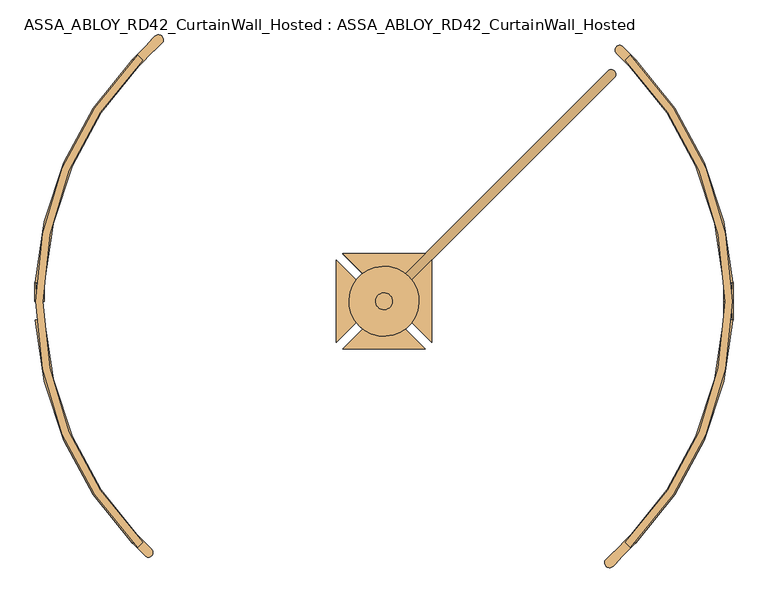
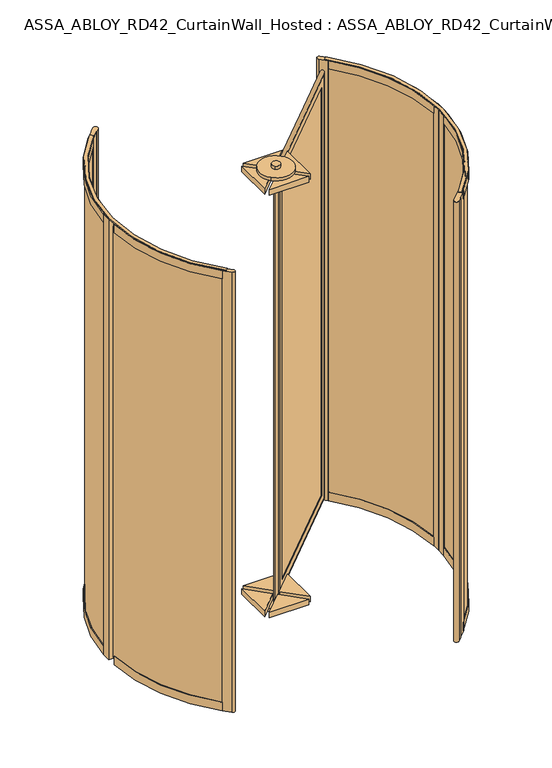
"""IFC4 building model written with IfcOpenShell, lengths in millimetres: door geometry, ASSA_ABLOY_RD42_CurtainWall_Hosted : ASSA_ABLOY_RD42_CurtainWall_Hosted."""

from ifc_helpers import new_model, si_unit, point, frame, frame_2d, origin, origin_with_axes, origin_2d, place, context, project, spatial, polyline, circle_curve, ellipse_curve, trimmed, segment, composite_curve, outline, extrude, source, transform, mapped, element, save
from ifc_brep_helpers import plane_surface, cylinder_surface, revolved_surface, advanced_brep


def assa_abloy_rd42_curtainwall_hosted_assa_abloy_rd42_190cbc8c(model_context):
    return source(origin(), model_context, "Body", "SolidModel", [
        advanced_brep(
        [(619.4255403, 605.2834047, 105.0), (621.5468607, 603.1620844, 105.0), (621.5468607, 603.1620844, 2673.0), (619.4255403, 605.2834047, 2673.0), (619.4255403, 633.5676759, 85.0), (633.5676759, 619.4255403, 85.0), (633.5676759, 619.4255403, 2693.0), (619.4255403, 633.5676759, 2693.0), (603.1620844, 621.5468607, 105.0), (605.2834047, 619.4255403, 105.0), (605.2834047, 619.4255403, 2673.0), (603.1620844, 621.5468607, 2673.0), (658.3164133, 639.931637, 53.0), (639.931637, 658.3164133, 53.0), (639.931637, 658.3164133, 2725.0), (658.3164133, 639.931637, 2725.0), (66.4680374, 48.0832611, 2673.0), (64.3467171, 50.2045815, 2673.0), (50.2045815, 36.0624458, 2693.0), (36.0624458, 50.2045815, 2693.0), (50.2045815, 64.3467171, 2673.0), (48.0832611, 66.4680374, 2673.0), (11.3137085, 29.6984848, 2725.0), (29.6984848, 11.3137085, 2725.0), (66.4680374, 48.0832611, 105.0), (64.3467171, 50.2045815, 105.0), (50.2045815, 36.0624458, 85.0), (36.0624458, 50.2045815, 85.0), (50.2045815, 64.3467171, 105.0), (48.0832611, 66.4680374, 105.0), (11.3137085, 29.6984848, 53.0), (29.6984848, 11.3137085, 53.0)],
        [
            (0, 1),
            (1, 2),
            (2, 3),
            (3, 0),
            (4, 5),
            (5, 6),
            (6, 7),
            (7, 4),
            (8, 9),
            (9, 10),
            (10, 11),
            (11, 8),
            (12, 13, ellipse_curve(frame((649.1240251, 649.1240251, 53.0), z_axis=(0.5000000000000073, 0.4999999999999926, 0.7071067811865475), x_axis=(0.4999999999999934, 0.5000000000000063, -0.7071067811865476)), 18.3847763, 13.0)),
            (13, 14),
            (14, 15, ellipse_curve(frame((649.1240251, 649.1240251, 2725.0), z_axis=(0.49999999999999345, 0.5000000000000064, -0.7071067811865475), x_axis=(-0.5000000000000072, -0.4999999999999925, -0.7071067811865476)), 18.3847763, 13.0)),
            (15, 12),
            (2, 16),
            (16, 17),
            (17, 3),
            (6, 18),
            (18, 19),
            (19, 7),
            (10, 20),
            (20, 21),
            (21, 11),
            (14, 22),
            (22, 23, ellipse_curve(frame((20.5060967, 20.5060967, 2725.0), z_axis=(0.5000000000000073, 0.4999999999999926, 0.7071067811865475), x_axis=(0.4999999999999936, 0.5000000000000066, -0.7071067811865475)), 18.3847763, 13.0)),
            (23, 15),
            (16, 24),
            (24, 25),
            (25, 17),
            (18, 26),
            (26, 27),
            (27, 19),
            (20, 28),
            (28, 29),
            (29, 21),
            (22, 30),
            (30, 31, ellipse_curve(frame((20.5060967, 20.5060967, 53.0), z_axis=(-0.49999999999999345, -0.5000000000000064, 0.7071067811865475), x_axis=(0.5000000000000072, 0.4999999999999925, 0.7071067811865476)), 18.3847763, 13.0)),
            (31, 23),
            (24, 1),
            (0, 25),
            (5, 26),
            (4, 27),
            (9, 28),
            (8, 29),
            (13, 30),
            (12, 31),
        ],
        [
            plane_surface(frame((621.5468607, 603.1620844, 105.0), z_axis=(-0.7071067811865499, -0.7071067811865451, 0.0), x_axis=(0.0, 0.0, 1.0))),
            plane_surface(frame((633.5676759, 619.4255403, 85.0), z_axis=(-0.7071067811865483, -0.7071067811865467, 0.0), x_axis=(0.0, 0.0, 1.0))),
            plane_surface(frame((605.2834047, 619.4255403, 105.0), z_axis=(-0.7071067811865499, -0.7071067811865451, 0.0), x_axis=(0.0, 0.0, 1.0))),
            cylinder_surface(frame((649.1240251, 649.1240251, 40.0), z_axis=(0.0, 0.0, -1.0), x_axis=(-0.7071067811865481, -0.7071067811865469, 0.0)), 13.0),
            plane_surface(frame((621.5468607, 603.1620844, 2673.0), z_axis=(0.0, 0.0, -1.0), x_axis=(-0.7071067811865481, -0.7071067811865469, 0.0))),
            plane_surface(frame((633.5676759, 619.4255403, 2693.0), z_axis=(0.0, 0.0, -1.0), x_axis=(-0.7071067811865481, -0.7071067811865469, 0.0))),
            plane_surface(frame((605.2834047, 619.4255403, 2673.0), z_axis=(0.0, 0.0, -1.0), x_axis=(-0.7071067811865481, -0.7071067811865469, 0.0))),
            cylinder_surface(frame((658.3164133, 658.3164133, 2725.0), z_axis=(0.7071067811865481, 0.7071067811865469, 0.0), x_axis=(0.0, 0.0, -1.0)), 13.0),
            plane_surface(frame((66.4680374, 48.0832611, 2673.0), z_axis=(0.7071067811865464, 0.7071067811865487, 0.0), x_axis=(0.0, 0.0, -1.0))),
            plane_surface(frame((50.2045815, 36.0624458, 2693.0), z_axis=(0.7071067811865479, 0.7071067811865471, 0.0), x_axis=(0.0, 0.0, -1.0))),
            plane_surface(frame((50.2045815, 64.3467171, 2673.0), z_axis=(0.7071067811865464, 0.7071067811865487, 0.0), x_axis=(0.0, 0.0, -1.0))),
            cylinder_surface(frame((20.5060967, 20.5060967, 2738.0), z_axis=(0.0, 0.0, 1.0), x_axis=(0.7071067811865481, 0.7071067811865469, 0.0)), 13.0),
            plane_surface(frame((66.4680374, 48.0832611, 105.0), z_axis=(0.0, 0.0, 1.0), x_axis=(0.7071067811865481, 0.7071067811865469, 0.0))),
            plane_surface(frame((64.3467171, 50.2045815, 105.0), z_axis=(-0.7071067811865469, 0.7071067811865481, 0.0), x_axis=(0.7071067811865481, 0.7071067811865469, 0.0))),
            plane_surface(frame((50.2045815, 36.0624458, 85.0), z_axis=(0.0, 0.0, 1.0), x_axis=(0.7071067811865481, 0.7071067811865469, 0.0))),
            plane_surface(frame((36.0624458, 50.2045815, 85.0), z_axis=(0.7071067811865469, -0.7071067811865481, 0.0), x_axis=(0.7071067811865481, 0.7071067811865469, 0.0))),
            plane_surface(frame((50.2045815, 64.3467171, 105.0), z_axis=(0.0, 0.0, 1.0), x_axis=(0.7071067811865481, 0.7071067811865469, 0.0))),
            plane_surface(frame((48.0832611, 66.4680374, 105.0), z_axis=(-0.7071067811865469, 0.7071067811865481, 0.0), x_axis=(0.7071067811865481, 0.7071067811865469, 0.0))),
            cylinder_surface(frame((11.3137085, 11.3137085, 53.0), z_axis=(-0.7071067811865481, -0.7071067811865469, 0.0), x_axis=(0.0, 0.0, 1.0)), 13.0),
            plane_surface(frame((29.6984848, 11.3137085, 53.0), z_axis=(0.7071067811865469, -0.7071067811865481, 0.0), x_axis=(0.7071067811865481, 0.7071067811865469, 0.0))),
        ],
        [
            (0, [[1, 2, 3, 4]]),
            (1, [[5, 6, 7, 8]]),
            (2, [[9, 10, 11, 12]]),
            (3, [[13, 14, 15, 16]]),
            (4, [[-3, 17, 18, 19]]),
            (5, [[-7, 20, 21, 22]]),
            (6, [[-11, 23, 24, 25]]),
            (7, [[-15, 26, 27, 28]]),
            (8, [[-18, 29, 30, 31]]),
            (9, [[-21, 32, 33, 34]]),
            (10, [[-24, 35, 36, 37]]),
            (11, [[-27, 38, 39, 40]]),
            (12, [[-30, 41, -1, 42]]),
            (13, [[43, -32, -20, -6], [-19, -31, -42, -4]]),
            (14, [[-33, -43, -5, 44]]),
            (15, [[-22, -34, -44, -8], [45, -35, -23, -10]]),
            (16, [[-36, -45, -9, 46]]),
            (17, [[47, -38, -26, -14], [-25, -37, -46, -12]]),
            (18, [[-39, -47, -13, 48]]),
            (19, [[-28, -40, -48, -16], [-41, -29, -17, -2]]),
        ],
    ),
        extrude(outline(polyline([(622.9610742, 630.032142), (630.032142, 622.9610742), (46.6690476, 39.5979797), (39.5979797, 46.6690476), (622.9610742, 630.032142)])), frame((0.0, 0.0, 85.0), z_axis=(0.0, 0.0, 1.0), x_axis=(1.0, 0.0, 0.0)), (0.0, 0.0, 1.0), 2608.0),
        extrude(outline(composite_curve([segment(trimmed(circle_curve(origin_2d(), 24.0), [point((-16.9705627, -16.9705627))], [point((16.9705627, 16.9705627))], False, "CARTESIAN"), True, "CONTINUOUS"), segment(trimmed(circle_curve(origin_2d(), 24.0), [point((16.9705627, 16.9705627))], [point((-16.9705627, -16.9705627))], False, "CARTESIAN"), True, "CONTINUOUS")], self_intersect=False)), origin_with_axes(), (0.0, 0.0, 1.0), 20.0),
        extrude(outline(composite_curve([segment(trimmed(circle_curve(origin_2d(), 100.0), [point((-70.7106781, -70.7106781))], [point((70.7106781, 70.7106781))], False, "CARTESIAN"), True, "CONTINUOUS"), segment(trimmed(circle_curve(origin_2d(), 100.0), [point((70.7106781, 70.7106781))], [point((-70.7106781, -70.7106781))], False, "CARTESIAN"), True, "CONTINUOUS")], self_intersect=False)), frame((0.0, 0.0, 20.0), z_axis=(0.0, 0.0, 1.0), x_axis=(1.0, 0.0, 0.0)), (0.0, 0.0, 1.0), 20.0),
        extrude(outline(composite_curve([segment(trimmed(circle_curve(origin_2d(), 24.0), [point((16.9705627, 16.9705627))], [point((-16.9705627, -16.9705627))], False, "CARTESIAN"), True, "CONTINUOUS"), segment(trimmed(circle_curve(origin_2d(), 24.0), [point((-16.9705627, -16.9705627))], [point((16.9705627, 16.9705627))], False, "CARTESIAN"), True, "CONTINUOUS")], self_intersect=False)), frame((0.0, 0.0, 2758.0), z_axis=(0.0, 0.0, 1.0), x_axis=(1.0, 0.0, 0.0)), (0.0, 0.0, 1.0), 20.0),
        extrude(outline(composite_curve([segment(trimmed(circle_curve(origin_2d(), 100.0), [point((70.7106781, 70.7106781))], [point((-70.7106781, -70.7106781))], False, "CARTESIAN"), True, "CONTINUOUS"), segment(trimmed(circle_curve(origin_2d(), 100.0), [point((-70.7106781, -70.7106781))], [point((70.7106781, 70.7106781))], False, "CARTESIAN"), True, "CONTINUOUS")], self_intersect=False)), frame((0.0, 0.0, 2738.0), z_axis=(0.0, 0.0, 1.0), x_axis=(1.0, 0.0, 0.0)), (0.0, 0.0, 1.0), 20.0),
        extrude(outline(composite_curve([segment(trimmed(circle_curve(origin_2d(), 12.5), [point((-8.8388348, -8.8388348))], [point((8.8388348, 8.8388348))], False, "CARTESIAN"), True, "CONTINUOUS"), segment(trimmed(circle_curve(origin_2d(), 12.5), [point((8.8388348, 8.8388348))], [point((-8.8388348, -8.8388348))], False, "CARTESIAN"), True, "CONTINUOUS")], self_intersect=False)), origin_with_axes(), (0.0, 0.0, 1.0), 2723.0),
        extrude(outline(polyline([(-136.0, 117.6152237), (-18.3847763, 0.0), (-136.0, -117.6152237), (-136.0, 117.6152237)])), frame((0.0, 0.0, 2703.0), z_axis=(0.0, 0.0, 1.0), x_axis=(1.0, 0.0, 0.0)), (0.0, 0.0, 1.0), 35.0),
        extrude(outline(polyline([(-117.6152237, -136.0), (0.0, -18.3847763), (117.6152237, -136.0), (-117.6152237, -136.0)])), frame((0.0, 0.0, 2703.0), z_axis=(0.0, 0.0, 1.0), x_axis=(1.0, 0.0, 0.0)), (0.0, 0.0, 1.0), 35.0),
        extrude(outline(polyline([(136.0, -117.6152237), (18.3847763, 0.0), (136.0, 117.6152237), (136.0, -117.6152237)])), frame((0.0, 0.0, 2703.0), z_axis=(0.0, 0.0, 1.0), x_axis=(1.0, 0.0, 0.0)), (0.0, 0.0, 1.0), 35.0),
        extrude(outline(polyline([(117.6152237, 136.0), (0.0, 18.3847763), (-117.6152237, 136.0), (117.6152237, 136.0)])), frame((0.0, 0.0, 2703.0), z_axis=(0.0, 0.0, 1.0), x_axis=(1.0, 0.0, 0.0)), (0.0, 0.0, 1.0), 35.0),
        extrude(outline(polyline([(-136.0, 117.6152237), (-18.3847763, 0.0), (-136.0, -117.6152237), (-136.0, 117.6152237)])), frame((0.0, 0.0, 40.0), z_axis=(0.0, 0.0, 1.0), x_axis=(1.0, 0.0, 0.0)), (0.0, 0.0, 1.0), 35.0),
        extrude(outline(polyline([(-117.6152237, -136.0), (0.0, -18.3847763), (117.6152237, -136.0), (-117.6152237, -136.0)])), frame((0.0, 0.0, 40.0), z_axis=(0.0, 0.0, 1.0), x_axis=(1.0, 0.0, 0.0)), (0.0, 0.0, 1.0), 35.0),
        extrude(outline(polyline([(136.0, -117.6152237), (18.3847763, 0.0), (136.0, 117.6152237), (136.0, -117.6152237)])), frame((0.0, 0.0, 40.0), z_axis=(0.0, 0.0, 1.0), x_axis=(1.0, 0.0, 0.0)), (0.0, 0.0, 1.0), 35.0),
        extrude(outline(polyline([(117.6152237, 136.0), (0.0, 18.3847763), (-117.6152237, 136.0), (117.6152237, 136.0)])), frame((0.0, 0.0, 40.0), z_axis=(0.0, 0.0, 1.0), x_axis=(1.0, 0.0, 0.0)), (0.0, 0.0, 1.0), 35.0),
        extrude(outline(composite_curve([segment(trimmed(circle_curve(origin_2d(), 974.0), [point((-688.7220049, 688.7220049))], [point((-688.7220049, -688.7220049))], True, "CARTESIAN"), True, "CONTINUOUS"), segment(polyline([(-688.7220049, -688.7220049), (-702.8641405, -702.8641405)]), True, "CONTINUOUS"), segment(trimmed(circle_curve(origin_2d(), 994.0), [point((-702.8641405, -702.8641405))], [point((-702.8641405, 702.8641405))], False, "CARTESIAN"), True, "CONTINUOUS"), segment(polyline([(-702.8641405, 702.8641405), (-688.7220049, 688.7220049)]), True, "CONTINUOUS")], self_intersect=False)), frame((0.0, 0.0, 2773.0), z_axis=(0.0, 0.0, 1.0), x_axis=(1.0, 0.0, 0.0)), (0.0, 0.0, 1.0), 5.0),
        extrude(outline(composite_curve([segment(trimmed(circle_curve(origin_2d(), 994.0), [point((702.8641405, 702.8641405))], [point((702.8641405, -702.8641405))], False, "CARTESIAN"), True, "CONTINUOUS"), segment(polyline([(702.8641405, -702.8641405), (688.7220049, -688.7220049)]), True, "CONTINUOUS"), segment(trimmed(circle_curve(origin_2d(), 974.0), [point((688.7220049, -688.7220049))], [point((688.7220049, 688.7220049))], True, "CARTESIAN"), True, "CONTINUOUS"), segment(polyline([(688.7220049, 688.7220049), (702.8641405, 702.8641405)]), True, "CONTINUOUS")], self_intersect=False)), frame((0.0, 0.0, 2773.0), z_axis=(0.0, 0.0, 1.0), x_axis=(1.0, 0.0, 0.0)), (0.0, 0.0, 1.0), 5.0),
        extrude(outline(composite_curve([segment(trimmed(circle_curve(origin_2d(), 989.0), [point((699.3286066, 699.3286066))], [point((988.4436781, 33.1676829))], False, "CARTESIAN"), True, "CONTINUOUS"), segment(polyline([(988.4436781, 33.1676829), (978.4493032, 32.8323171)]), True, "CONTINUOUS"), segment(trimmed(circle_curve(origin_2d(), 979.0), [point((978.4493032, 32.8323171))], [point((692.2575388, 692.2575388))], True, "CARTESIAN"), True, "CONTINUOUS"), segment(polyline([(692.2575388, 692.2575388), (699.3286066, 699.3286066)]), True, "CONTINUOUS")], self_intersect=False)), frame((0.0, 0.0, 33.0), z_axis=(0.0, 0.0, 1.0), x_axis=(1.0, 0.0, 0.0)), (0.0, 0.0, 1.0), 2715.0),
        extrude(outline(composite_curve([segment(trimmed(circle_curve(origin_2d(), 989.0), [point((988.4436781, -33.1676829))], [point((699.3286066, -699.3286066))], False, "CARTESIAN"), True, "CONTINUOUS"), segment(polyline([(699.3286066, -699.3286066), (692.2575388, -692.2575388)]), True, "CONTINUOUS"), segment(trimmed(circle_curve(origin_2d(), 979.0), [point((692.2575388, -692.2575388))], [point((978.4493032, -32.8323171))], True, "CARTESIAN"), True, "CONTINUOUS"), segment(polyline([(978.4493032, -32.8323171), (988.4436781, -33.1676829)]), True, "CONTINUOUS")], self_intersect=False)), frame((0.0, 0.0, 33.0), z_axis=(0.0, 0.0, 1.0), x_axis=(1.0, 0.0, 0.0)), (0.0, 0.0, 1.0), 2715.0),
        extrude(outline(composite_curve([segment(polyline([(702.863883, -702.863883), (717.0060186, -688.7217474), (719.1270815, -690.8428103), (674.5793543, -735.3905375), (675.2864632, -736.0976464), (654.0719672, -757.3121425)]), True, "CONTINUOUS"), segment(trimmed(circle_curve(frame_2d((644.1727276, -747.4129028)), 13.9996389), [point((654.0719672, -757.3121425))], [point((634.273488, -737.5136632))], False, "CARTESIAN"), True, "CONTINUOUS"), segment(polyline([(634.273488, -737.5136632), (655.487984, -716.2991672), (656.1950929, -717.0062761), (700.7428202, -672.4585489), (702.863883, -674.5796118), (688.7217474, -688.7217474), (702.863883, -702.863883)]), True, "CONTINUOUS")], self_intersect=False)), origin_with_axes(), (0.0, 0.0, 1.0), 2773.0),
        extrude(outline(composite_curve([segment(polyline([(702.863883, 702.863883), (688.7217474, 688.7217474), (702.863883, 674.5796118), (700.7428202, 672.4585489), (663.9730099, 709.2283592)]), True, "CONTINUOUS"), segment(trimmed(circle_curve(frame_2d((673.1651406, 718.4204898)), 12.9996359), [point((663.9730099, 709.2283592))], [point((682.3572713, 727.6126205))], False, "CARTESIAN"), True, "CONTINUOUS"), segment(polyline([(682.3572713, 727.6126205), (719.1270815, 690.8428103), (717.0060186, 688.7217474), (702.863883, 702.863883)]), True, "CONTINUOUS")], self_intersect=False)), origin_with_axes(), (0.0, 0.0, 1.0), 2773.0),
        advanced_brep(
        [(700.2358565, 672.6891892, 0.0), (700.2358565, 672.6891892, 53.0), (702.3993041, 674.7675286, 53.0), (702.3993041, 674.7675286, 33.0), (716.8222877, 688.6231246, 33.0), (716.8222877, 688.6231246, 53.0), (718.9857353, 690.701464, 53.0), (718.9857353, 690.701464, 0.0), (969.6270403, 51.6178536, 0.0), (995.5902772, 53.0, 0.0), (995.5902772, 53.0, 53.0), (992.5945191, 52.8405216, 53.0), (992.5945191, 52.8405216, 33.0), (972.6227984, 51.777332, 33.0), (972.6227984, 51.777332, 53.0), (969.6270403, 51.6178536, 53.0)],
        [
            (0, 1),
            (1, 2),
            (2, 3),
            (3, 4),
            (4, 5),
            (5, 6),
            (6, 7),
            (7, 0),
            (8, 9),
            (9, 10),
            (10, 11),
            (11, 12),
            (12, 13),
            (13, 14),
            (14, 15),
            (15, 8),
            (15, 1, circle_curve(frame((0.0, 0.0, 53.0), z_axis=(0.0, 0.0, 1.0), x_axis=(0.7211491828452432, 0.6927798034596837, 0.0)), 971.0)),
            (0, 8, circle_curve(frame((0.0, 0.0, 0.0), z_axis=(0.0, 0.0, -1.0), x_axis=(0.7211491828452432, 0.6927798034596837, 0.0)), 971.0)),
            (14, 2, circle_curve(frame((0.0, 0.0, 53.0), z_axis=(0.0, 0.0, 1.0), x_axis=(0.7211491828452432, 0.6927798034596837, 0.0)), 974.0)),
            (13, 3, circle_curve(frame((0.0, 0.0, 33.0), z_axis=(0.0, 0.0, 1.0), x_axis=(0.7211491828452432, 0.6927798034596837, 0.0)), 974.0)),
            (12, 4, circle_curve(frame((0.0, 0.0, 33.0), z_axis=(0.0, 0.0, 1.0), x_axis=(0.7211491828452432, 0.6927798034596837, 0.0)), 994.0)),
            (11, 5, circle_curve(frame((0.0, 0.0, 53.0), z_axis=(0.0, 0.0, 1.0), x_axis=(0.7211491828452432, 0.6927798034596837, 0.0)), 994.0)),
            (10, 6, circle_curve(frame((0.0, 0.0, 53.0), z_axis=(0.0, 0.0, 1.0), x_axis=(0.7211491828452432, 0.6927798034596837, 0.0)), 997.0)),
            (9, 7, circle_curve(frame((0.0, 0.0, 0.0), z_axis=(0.0, 0.0, 1.0), x_axis=(0.7211491828452432, 0.6927798034596837, 0.0)), 997.0)),
        ],
        [
            plane_surface(frame((718.9857353, 690.701464, 0.0), z_axis=(-0.6927798034596837, 0.7211491828452432, 0.0), x_axis=(0.0, 0.0, 1.0))),
            plane_surface(frame((995.5902772, 53.0, 0.0), z_axis=(0.053159478435430674, -0.9985860352781193, 0.0), x_axis=(0.0, 0.0, 1.0))),
            revolved_surface(polyline([(700.2358565427312, 672.6891891593528, 0.0), (700.2358565427312, 672.6891891593528, 53.0)]), (0.0, 0.0, 0.0), (0.0, 0.0, -1.0)),
            plane_surface(frame((0.0, 0.0, 53.0), z_axis=(0.0, 0.0, 1.0), x_axis=(0.7211491828452432, 0.6927798034596837, 0.0))),
            cylinder_surface(frame((0.0, 0.0, 0.0), z_axis=(0.0, 0.0, -1.0), x_axis=(0.7211491828452432, 0.6927798034596837, 0.0)), 974.0),
            plane_surface(frame((0.0, 0.0, 33.0), z_axis=(0.0, 0.0, 1.0), x_axis=(0.7211491828452432, 0.6927798034596837, 0.0))),
            revolved_surface(polyline([(716.8222877481718, 688.6231246389256, 33.0), (716.8222877481718, 688.6231246389256, 53.0)]), (0.0, 0.0, 0.0), (0.0, 0.0, -1.0)),
            cylinder_surface(frame((0.0, 0.0, 0.0), z_axis=(0.0, 0.0, -1.0), x_axis=(0.7211491828452432, 0.6927798034596837, 0.0)), 997.0),
            plane_surface(frame((0.0, 0.0, 0.0), z_axis=(0.0, 0.0, -1.0), x_axis=(0.7211491828452432, 0.6927798034596837, 0.0))),
        ],
        [
            (0, [[1, 2, 3, 4, 5, 6, 7, 8]]),
            (1, [[9, 10, 11, 12, 13, 14, 15, 16]]),
            (2, [[17, -1, 18, -16]]),
            (3, [[19, -2, -17, -15]]),
            (4, [[20, -3, -19, -14]]),
            (5, [[21, -4, -20, -13]]),
            (6, [[22, -5, -21, -12]]),
            (3, [[23, -6, -22, -11]]),
            (7, [[24, -7, -23, -10]]),
            (8, [[-18, -8, -24, -9]]),
        ],
    ),
        advanced_brep(
        [(969.6270403, 51.6178536, 2773.0), (969.6270403, 51.6178536, 2723.0), (972.6227984, 51.777332, 2723.0), (972.6227984, 51.777332, 2743.0), (992.5945191, 52.8405216, 2743.0), (992.5945191, 52.8405216, 2723.0), (995.5902772, 53.0, 2723.0), (995.5902772, 53.0, 2773.0), (700.2358565, 672.6891892, 2773.0), (718.9857353, 690.701464, 2773.0), (718.9857353, 690.701464, 2723.0), (716.8222877, 688.6231246, 2723.0), (716.8222877, 688.6231246, 2743.0), (702.3993041, 674.7675286, 2743.0), (702.3993041, 674.7675286, 2723.0), (700.2358565, 672.6891892, 2723.0)],
        [
            (0, 1),
            (1, 2),
            (2, 3),
            (3, 4),
            (4, 5),
            (5, 6),
            (6, 7),
            (7, 0),
            (8, 9),
            (9, 10),
            (10, 11),
            (11, 12),
            (12, 13),
            (13, 14),
            (14, 15),
            (15, 8),
            (15, 1, circle_curve(frame((0.0, 0.0, 2723.0), z_axis=(0.0, 0.0, -1.0), x_axis=(0.9985860352779962, 0.053159478437741485, 0.0)), 971.0)),
            (0, 8, circle_curve(frame((0.0, 0.0, 2773.0), z_axis=(0.0, 0.0, 1.0), x_axis=(0.9985860352779962, 0.053159478437741485, 0.0)), 971.0)),
            (14, 2, circle_curve(frame((0.0, 0.0, 2723.0), z_axis=(0.0, 0.0, -1.0), x_axis=(0.9985860352779962, 0.053159478437741485, 0.0)), 974.0)),
            (9, 7, circle_curve(frame((0.0, 0.0, 2773.0), z_axis=(0.0, 0.0, -1.0), x_axis=(0.9985860352779962, 0.053159478437741485, 0.0)), 997.0)),
            (6, 10, circle_curve(frame((0.0, 0.0, 2723.0), z_axis=(0.0, 0.0, 1.0), x_axis=(0.9985860352779962, 0.053159478437741485, 0.0)), 997.0)),
            (13, 3, circle_curve(frame((0.0, 0.0, 2743.0), z_axis=(0.0, 0.0, -1.0), x_axis=(0.9985860352779962, 0.053159478437741485, 0.0)), 974.0)),
            (12, 4, circle_curve(frame((0.0, 0.0, 2743.0), z_axis=(0.0, 0.0, -1.0), x_axis=(0.9985860352779962, 0.053159478437741485, 0.0)), 994.0)),
            (11, 5, circle_curve(frame((0.0, 0.0, 2723.0), z_axis=(0.0, 0.0, -1.0), x_axis=(0.9985860352779962, 0.053159478437741485, 0.0)), 994.0)),
        ],
        [
            plane_surface(frame((995.5902772, 53.0, 2773.0), z_axis=(0.05315947843774149, -0.9985860352779962, 0.0), x_axis=(0.0, 0.0, 1.0))),
            plane_surface(frame((718.9857353, 690.701464, 2773.0), z_axis=(-0.692779803459834, 0.7211491828450988, 0.0), x_axis=(0.0, 0.0, 1.0))),
            revolved_surface(polyline([(969.6270402549343, 51.617853563046985, 2773.0), (969.6270402549343, 51.617853563046985, 2723.0)]), (0.0, 0.0, 2773.0), (0.0, 0.0, 1.0)),
            plane_surface(frame((0.0, 0.0, 2723.0), z_axis=(0.0, 0.0, -1.0000000000000002), x_axis=(0.9985860352779962, 0.053159478437741485, 0.0))),
            cylinder_surface(frame((0.0, 0.0, 2773.0), z_axis=(0.0, 0.0, 1.0), x_axis=(0.9985860352779962, 0.053159478437741485, 0.0)), 997.0),
            plane_surface(frame((0.0, 0.0, 2773.0), z_axis=(0.0, 0.0, 1.0000000000000002), x_axis=(0.9985860352779962, 0.053159478437741485, 0.0))),
            cylinder_surface(frame((0.0, 0.0, 2773.0), z_axis=(0.0, 0.0, 1.0), x_axis=(0.9985860352779962, 0.053159478437741485, 0.0)), 974.0),
            plane_surface(frame((0.0, 0.0, 2743.0), z_axis=(0.0, 0.0, -1.0000000000000002), x_axis=(0.9985860352779962, 0.053159478437741485, 0.0))),
            revolved_surface(polyline([(992.5945190663282, 52.84052156711503, 2743.0), (992.5945190663282, 52.84052156711503, 2723.0)]), (0.0, 0.0, 2773.0), (0.0, 0.0, 1.0)),
        ],
        [
            (0, [[1, 2, 3, 4, 5, 6, 7, 8]]),
            (1, [[9, 10, 11, 12, 13, 14, 15, 16]]),
            (2, [[17, -1, 18, -16]]),
            (3, [[19, -2, -17, -15]]),
            (4, [[20, -7, 21, -10]]),
            (5, [[-18, -8, -20, -9]]),
            (6, [[22, -3, -19, -14]]),
            (7, [[23, -4, -22, -13]]),
            (8, [[24, -5, -23, -12]]),
            (3, [[-21, -6, -24, -11]]),
        ],
    ),
        extrude(outline(polyline([(997.0, 0.0), (971.0, 0.0), (971.0, 53.0), (974.0, 53.0), (974.0, 33.0), (994.0, 33.0), (994.0, 53.0), (997.0, 53.0), (997.0, 0.0)])), origin_with_axes(), (0.0, 0.0, 1.0), 2773.0),
        advanced_brep(
        [(700.2358565, -672.6891892, 0.0), (718.9857353, -690.701464, 0.0), (718.9857353, -690.701464, 53.0), (716.8222877, -688.6231246, 53.0), (716.8222877, -688.6231246, 33.0), (702.3993041, -674.7675286, 33.0), (702.3993041, -674.7675286, 53.0), (700.2358565, -672.6891892, 53.0), (969.6270403, -51.6178536, 0.0), (969.6270403, -51.6178536, 53.0), (972.6227984, -51.777332, 53.0), (972.6227984, -51.777332, 33.0), (992.5945191, -52.8405216, 33.0), (992.5945191, -52.8405216, 53.0), (995.5902772, -53.0, 53.0), (995.5902772, -53.0, 0.0)],
        [
            (0, 1),
            (1, 2),
            (2, 3),
            (3, 4),
            (4, 5),
            (5, 6),
            (6, 7),
            (7, 0),
            (8, 9),
            (9, 10),
            (10, 11),
            (11, 12),
            (12, 13),
            (13, 14),
            (14, 15),
            (15, 8),
            (8, 0, circle_curve(frame((0.0, 0.0, 0.0), z_axis=(0.0, 0.0, -1.0), x_axis=(0.7211491828451337, -0.6927798034597976, 0.0)), 971.0)),
            (7, 9, circle_curve(frame((0.0, 0.0, 53.0), z_axis=(0.0, 0.0, 1.0), x_axis=(0.7211491828451337, -0.6927798034597976, 0.0)), 971.0)),
            (6, 10, circle_curve(frame((0.0, 0.0, 53.0), z_axis=(0.0, 0.0, 1.0), x_axis=(0.7211491828451337, -0.6927798034597976, 0.0)), 974.0)),
            (5, 11, circle_curve(frame((0.0, 0.0, 33.0), z_axis=(0.0, 0.0, 1.0), x_axis=(0.7211491828451337, -0.6927798034597976, 0.0)), 974.0)),
            (4, 12, circle_curve(frame((0.0, 0.0, 33.0), z_axis=(0.0, 0.0, 1.0), x_axis=(0.7211491828451337, -0.6927798034597976, 0.0)), 994.0)),
            (3, 13, circle_curve(frame((0.0, 0.0, 53.0), z_axis=(0.0, 0.0, 1.0), x_axis=(0.7211491828451337, -0.6927798034597976, 0.0)), 994.0)),
            (2, 14, circle_curve(frame((0.0, 0.0, 53.0), z_axis=(0.0, 0.0, 1.0), x_axis=(0.7211491828451337, -0.6927798034597976, 0.0)), 997.0)),
            (1, 15, circle_curve(frame((0.0, 0.0, 0.0), z_axis=(0.0, 0.0, 1.0), x_axis=(0.7211491828451337, -0.6927798034597976, 0.0)), 997.0)),
        ],
        [
            plane_surface(frame((718.9857353, -690.701464, 0.0), z_axis=(-0.6927798034597977, -0.7211491828451339, 0.0), x_axis=(0.0, 0.0, 1.0))),
            plane_surface(frame((995.5902772, -53.0, 0.0), z_axis=(0.053159478435759744, 0.9985860352781017, 0.0), x_axis=(0.0, 0.0, 1.0))),
            revolved_surface(polyline([(700.2358565426249, -672.6891891594635, 53.0), (700.2358565426249, -672.6891891594635, 0.0)]), (0.0, 0.0, 0.0), (0.0, 0.0, 1.0)),
            plane_surface(frame((0.0, 0.0, 53.0), z_axis=(0.0, 0.0, 1.0000000000000002), x_axis=(0.7211491828451339, -0.6927798034597977, 0.0))),
            cylinder_surface(frame((0.0, 0.0, 0.0), z_axis=(0.0, 0.0, 1.0), x_axis=(0.7211491828451337, -0.6927798034597976, 0.0)), 974.0),
            plane_surface(frame((0.0, 0.0, 33.0), z_axis=(0.0, 0.0, 1.0000000000000002), x_axis=(0.7211491828451339, -0.6927798034597977, 0.0))),
            revolved_surface(polyline([(716.822287748063, -688.6231246390388, 53.0), (716.822287748063, -688.6231246390388, 33.0)]), (0.0, 0.0, 0.0), (0.0, 0.0, 1.0)),
            cylinder_surface(frame((0.0, 0.0, 0.0), z_axis=(0.0, 0.0, 1.0), x_axis=(0.7211491828451337, -0.6927798034597976, 0.0)), 997.0),
            plane_surface(frame((0.0, 0.0, 0.0), z_axis=(0.0, 0.0, -1.0000000000000002), x_axis=(0.7211491828451339, -0.6927798034597977, 0.0))),
        ],
        [
            (0, [[1, 2, 3, 4, 5, 6, 7, 8]]),
            (1, [[9, 10, 11, 12, 13, 14, 15, 16]]),
            (2, [[17, -8, 18, -9]]),
            (3, [[-18, -7, 19, -10]]),
            (4, [[-19, -6, 20, -11]]),
            (5, [[-20, -5, 21, -12]]),
            (6, [[-21, -4, 22, -13]]),
            (3, [[-22, -3, 23, -14]]),
            (7, [[-23, -2, 24, -15]]),
            (8, [[-24, -1, -17, -16]]),
        ],
    ),
        advanced_brep(
        [(969.6270403, -51.6178536, 2773.0), (995.5902772, -53.0, 2773.0), (995.5902772, -53.0, 2723.0), (992.5945191, -52.8405216, 2723.0), (992.5945191, -52.8405216, 2743.0), (972.6227984, -51.777332, 2743.0), (972.6227984, -51.777332, 2723.0), (969.6270403, -51.6178536, 2723.0), (700.2358565, -672.6891892, 2773.0), (700.2358565, -672.6891892, 2723.0), (702.3993041, -674.7675286, 2723.0), (702.3993041, -674.7675286, 2743.0), (716.8222877, -688.6231246, 2743.0), (716.8222877, -688.6231246, 2723.0), (718.9857353, -690.7014641, 2723.0), (718.9857353, -690.7014641, 2773.0)],
        [
            (0, 1),
            (1, 2),
            (2, 3),
            (3, 4),
            (4, 5),
            (5, 6),
            (6, 7),
            (7, 0),
            (8, 9),
            (9, 10),
            (10, 11),
            (11, 12),
            (12, 13),
            (13, 14),
            (14, 15),
            (15, 8),
            (8, 0, circle_curve(frame((0.0, 0.0, 2773.0), z_axis=(0.0, 0.0, 1.0), x_axis=(0.9985860352782786, -0.05315947843243415, 0.0)), 971.0)),
            (7, 9, circle_curve(frame((0.0, 0.0, 2723.0), z_axis=(0.0, 0.0, -1.0), x_axis=(0.9985860352782786, -0.05315947843243415, 0.0)), 971.0)),
            (6, 10, circle_curve(frame((0.0, 0.0, 2723.0), z_axis=(0.0, 0.0, -1.0), x_axis=(0.9985860352782786, -0.05315947843243415, 0.0)), 974.0)),
            (14, 2, circle_curve(frame((0.0, 0.0, 2723.0), z_axis=(0.0, 0.0, 1.0), x_axis=(0.9985860352782786, -0.05315947843243415, 0.0)), 997.0)),
            (1, 15, circle_curve(frame((0.0, 0.0, 2773.0), z_axis=(0.0, 0.0, -1.0), x_axis=(0.9985860352782786, -0.05315947843243415, 0.0)), 997.0)),
            (5, 11, circle_curve(frame((0.0, 0.0, 2743.0), z_axis=(0.0, 0.0, -1.0), x_axis=(0.9985860352782786, -0.05315947843243415, 0.0)), 974.0)),
            (4, 12, circle_curve(frame((0.0, 0.0, 2743.0), z_axis=(0.0, 0.0, -1.0), x_axis=(0.9985860352782786, -0.05315947843243415, 0.0)), 994.0)),
            (3, 13, circle_curve(frame((0.0, 0.0, 2723.0), z_axis=(0.0, 0.0, -1.0), x_axis=(0.9985860352782786, -0.05315947843243415, 0.0)), 994.0)),
        ],
        [
            plane_surface(frame((995.5902772, -53.0, 2773.0), z_axis=(0.053159478432434126, 0.9985860352782787, 0.0), x_axis=(0.0, 0.0, 1.0))),
            plane_surface(frame((718.9857353, -690.7014641, 2773.0), z_axis=(-0.6927798034572433, -0.7211491828475877, 0.0), x_axis=(0.0, 0.0, 1.0))),
            revolved_surface(polyline([(969.6270402552085, -51.617853557893554, 2723.0), (969.6270402552085, -51.617853557893554, 2773.0)]), (0.0, 0.0, 2773.0), (0.0, 0.0, -1.0)),
            plane_surface(frame((0.0, 0.0, 2723.0), z_axis=(0.0, 0.0, -1.0), x_axis=(0.9985860352782787, -0.053159478432434154, 0.0))),
            cylinder_surface(frame((0.0, 0.0, 2773.0), z_axis=(0.0, 0.0, -1.0), x_axis=(0.9985860352782786, -0.05315947843243415, 0.0)), 997.0),
            plane_surface(frame((0.0, 0.0, 2773.0), z_axis=(0.0, 0.0, 1.0), x_axis=(0.9985860352782787, -0.053159478432434154, 0.0))),
            cylinder_surface(frame((0.0, 0.0, 2773.0), z_axis=(0.0, 0.0, -1.0), x_axis=(0.9985860352782786, -0.05315947843243415, 0.0)), 974.0),
            plane_surface(frame((0.0, 0.0, 2743.0), z_axis=(0.0, 0.0, -1.0), x_axis=(0.9985860352782787, -0.053159478432434154, 0.0))),
            revolved_surface(polyline([(992.5945190666089, -52.840521561839545, 2723.0), (992.5945190666089, -52.840521561839545, 2743.0)]), (0.0, 0.0, 2773.0), (0.0, 0.0, -1.0)),
        ],
        [
            (0, [[1, 2, 3, 4, 5, 6, 7, 8]]),
            (1, [[9, 10, 11, 12, 13, 14, 15, 16]]),
            (2, [[17, -8, 18, -9]]),
            (3, [[-18, -7, 19, -10]]),
            (4, [[20, -2, 21, -15]]),
            (5, [[-21, -1, -17, -16]]),
            (6, [[-19, -6, 22, -11]]),
            (7, [[-22, -5, 23, -12]]),
            (8, [[-23, -4, 24, -13]]),
            (3, [[-24, -3, -20, -14]]),
        ],
    ),
        extrude(outline(polyline([(997.0, 0.0), (997.0, -53.0), (994.0, -53.0), (994.0, -33.0), (974.0, -33.0), (974.0, -53.0), (971.0, -53.0), (971.0, 0.0), (997.0, 0.0)])), origin_with_axes(), (0.0, 0.0, 1.0), 2773.0),
        extrude(outline(composite_curve([segment(trimmed(circle_curve(origin_2d(), 979.0), [point((-692.2575388, 692.2575388))], [point((-978.4493032, 32.8323171))], True, "CARTESIAN"), True, "CONTINUOUS"), segment(polyline([(-978.4493032, 32.8323171), (-988.4436781, 33.1676829)]), True, "CONTINUOUS"), segment(trimmed(circle_curve(origin_2d(), 989.0), [point((-988.4436781, 33.1676829))], [point((-699.3286066, 699.3286066))], False, "CARTESIAN"), True, "CONTINUOUS"), segment(polyline([(-699.3286066, 699.3286066), (-692.2575388, 692.2575388)]), True, "CONTINUOUS")], self_intersect=False)), frame((0.0, 0.0, 33.0), z_axis=(0.0, 0.0, 1.0), x_axis=(1.0, 0.0, 0.0)), (0.0, 0.0, 1.0), 2715.0),
        advanced_brep(
        [(-700.2358565, 672.6891892, 0.0), (-718.9857353, 690.701464, 0.0), (-718.9857353, 690.701464, 53.0), (-716.8222877, 688.6231246, 53.0), (-716.8222877, 688.6231246, 33.0), (-702.3993041, 674.7675286, 33.0), (-702.3993041, 674.7675286, 53.0), (-700.2358565, 672.6891892, 53.0), (-969.6270403, 51.6178536, 0.0), (-969.6270403, 51.6178536, 53.0), (-972.6227984, 51.777332, 53.0), (-972.6227984, 51.777332, 33.0), (-992.5945191, 52.8405216, 33.0), (-992.5945191, 52.8405216, 53.0), (-995.5902772, 53.0, 53.0), (-995.5902772, 53.0, 0.0)],
        [
            (0, 1),
            (1, 2),
            (2, 3),
            (3, 4),
            (4, 5),
            (5, 6),
            (6, 7),
            (7, 0),
            (8, 9),
            (9, 10),
            (10, 11),
            (11, 12),
            (12, 13),
            (13, 14),
            (14, 15),
            (15, 8),
            (8, 0, circle_curve(frame((0.0, 0.0, 0.0), z_axis=(0.0, 0.0, -1.0), x_axis=(-0.7211491828453972, 0.6927798034595233, 0.0)), 971.0)),
            (7, 9, circle_curve(frame((0.0, 0.0, 53.0), z_axis=(0.0, 0.0, 1.0), x_axis=(-0.7211491828453972, 0.6927798034595233, 0.0)), 971.0)),
            (6, 10, circle_curve(frame((0.0, 0.0, 53.0), z_axis=(0.0, 0.0, 1.0), x_axis=(-0.7211491828453972, 0.6927798034595233, 0.0)), 974.0)),
            (5, 11, circle_curve(frame((0.0, 0.0, 33.0), z_axis=(0.0, 0.0, 1.0), x_axis=(-0.7211491828453972, 0.6927798034595233, 0.0)), 974.0)),
            (4, 12, circle_curve(frame((0.0, 0.0, 33.0), z_axis=(0.0, 0.0, 1.0), x_axis=(-0.7211491828453972, 0.6927798034595233, 0.0)), 994.0)),
            (3, 13, circle_curve(frame((0.0, 0.0, 53.0), z_axis=(0.0, 0.0, 1.0), x_axis=(-0.7211491828453972, 0.6927798034595233, 0.0)), 994.0)),
            (2, 14, circle_curve(frame((0.0, 0.0, 53.0), z_axis=(0.0, 0.0, 1.0), x_axis=(-0.7211491828453972, 0.6927798034595233, 0.0)), 997.0)),
            (1, 15, circle_curve(frame((0.0, 0.0, 0.0), z_axis=(0.0, 0.0, 1.0), x_axis=(-0.7211491828453972, 0.6927798034595233, 0.0)), 997.0)),
        ],
        [
            plane_surface(frame((-718.9857353, 690.701464, 0.0), z_axis=(0.6927798034595234, 0.7211491828453973, 0.0), x_axis=(0.0, 0.0, 1.0))),
            plane_surface(frame((-995.5902772, 53.0, 0.0), z_axis=(-0.053159478434998075, -0.9985860352781423, 0.0), x_axis=(0.0, 0.0, 1.0))),
            revolved_surface(polyline([(-700.2358565428807, 672.6891891591971, 53.0), (-700.2358565428807, 672.6891891591971, 0.0)]), (0.0, 0.0, 0.0), (0.0, 0.0, 1.0)),
            plane_surface(frame((0.0, 0.0, 53.0), z_axis=(0.0, 0.0, 1.0), x_axis=(-0.7211491828453973, 0.6927798034595234, 0.0))),
            cylinder_surface(frame((0.0, 0.0, 0.0), z_axis=(0.0, 0.0, 1.0), x_axis=(-0.7211491828453972, 0.6927798034595233, 0.0)), 974.0),
            plane_surface(frame((0.0, 0.0, 33.0), z_axis=(0.0, 0.0, 1.0), x_axis=(-0.7211491828453973, 0.6927798034595234, 0.0))),
            revolved_surface(polyline([(-716.8222877483248, 688.6231246387662, 53.0), (-716.8222877483248, 688.6231246387662, 33.0)]), (0.0, 0.0, 0.0), (0.0, 0.0, 1.0)),
            cylinder_surface(frame((0.0, 0.0, 0.0), z_axis=(0.0, 0.0, 1.0), x_axis=(-0.7211491828453972, 0.6927798034595233, 0.0)), 997.0),
            plane_surface(frame((0.0, 0.0, 0.0), z_axis=(0.0, 0.0, -1.0), x_axis=(-0.7211491828453973, 0.6927798034595234, 0.0))),
        ],
        [
            (0, [[1, 2, 3, 4, 5, 6, 7, 8]]),
            (1, [[9, 10, 11, 12, 13, 14, 15, 16]]),
            (2, [[17, -8, 18, -9]]),
            (3, [[-18, -7, 19, -10]]),
            (4, [[-19, -6, 20, -11]]),
            (5, [[-20, -5, 21, -12]]),
            (6, [[-21, -4, 22, -13]]),
            (3, [[-22, -3, 23, -14]]),
            (7, [[-23, -2, 24, -15]]),
            (8, [[-24, -1, -17, -16]]),
        ],
    ),
        advanced_brep(
        [(-969.6270403, 51.6178536, 2773.0), (-995.5902772, 53.0, 2773.0), (-995.5902772, 53.0, 2723.0), (-992.5945191, 52.8405216, 2723.0), (-992.5945191, 52.8405216, 2743.0), (-972.6227984, 51.777332, 2743.0), (-972.6227984, 51.777332, 2723.0), (-969.6270403, 51.6178536, 2723.0), (-700.2358565, 672.6891892, 2773.0), (-700.2358565, 672.6891892, 2723.0), (-702.3993041, 674.7675286, 2723.0), (-702.3993041, 674.7675286, 2743.0), (-716.8222877, 688.6231246, 2743.0), (-716.8222877, 688.6231246, 2723.0), (-718.9857353, 690.701464, 2723.0), (-718.9857353, 690.701464, 2773.0)],
        [
            (0, 1),
            (1, 2),
            (2, 3),
            (3, 4),
            (4, 5),
            (5, 6),
            (6, 7),
            (7, 0),
            (8, 9),
            (9, 10),
            (10, 11),
            (11, 12),
            (12, 13),
            (13, 14),
            (14, 15),
            (15, 8),
            (8, 0, circle_curve(frame((0.0, 0.0, 2773.0), z_axis=(0.0, 0.0, 1.0), x_axis=(-0.9985860352779656, 0.05315947843831304, 0.0)), 971.0)),
            (7, 9, circle_curve(frame((0.0, 0.0, 2723.0), z_axis=(0.0, 0.0, -1.0), x_axis=(-0.9985860352779656, 0.05315947843831304, 0.0)), 971.0)),
            (6, 10, circle_curve(frame((0.0, 0.0, 2723.0), z_axis=(0.0, 0.0, -1.0), x_axis=(-0.9985860352779656, 0.05315947843831304, 0.0)), 974.0)),
            (14, 2, circle_curve(frame((0.0, 0.0, 2723.0), z_axis=(0.0, 0.0, 1.0), x_axis=(-0.9985860352779656, 0.05315947843831304, 0.0)), 997.0)),
            (1, 15, circle_curve(frame((0.0, 0.0, 2773.0), z_axis=(0.0, 0.0, -1.0), x_axis=(-0.9985860352779656, 0.05315947843831304, 0.0)), 997.0)),
            (5, 11, circle_curve(frame((0.0, 0.0, 2743.0), z_axis=(0.0, 0.0, -1.0), x_axis=(-0.9985860352779656, 0.05315947843831304, 0.0)), 974.0)),
            (4, 12, circle_curve(frame((0.0, 0.0, 2743.0), z_axis=(0.0, 0.0, -1.0), x_axis=(-0.9985860352779656, 0.05315947843831304, 0.0)), 994.0)),
            (3, 13, circle_curve(frame((0.0, 0.0, 2723.0), z_axis=(0.0, 0.0, -1.0), x_axis=(-0.9985860352779656, 0.05315947843831304, 0.0)), 994.0)),
        ],
        [
            plane_surface(frame((-995.5902772, 53.0, 2773.0), z_axis=(-0.05315947843831305, -0.9985860352779657, 0.0), x_axis=(0.0, 0.0, 1.0))),
            plane_surface(frame((-718.9857353, 690.701464, 2773.0), z_axis=(0.6927798034621091, 0.7211491828429132, 0.0), x_axis=(0.0, 0.0, 1.0))),
            revolved_surface(polyline([(-969.6270402549046, 51.61785356360196, 2723.0), (-969.6270402549046, 51.61785356360196, 2773.0)]), (0.0, 0.0, 2773.0), (0.0, 0.0, -1.0)),
            plane_surface(frame((0.0, 0.0, 2723.0), z_axis=(0.0, 0.0, -1.0), x_axis=(-0.9985860352779657, 0.05315947843831305, 0.0))),
            cylinder_surface(frame((0.0, 0.0, 2773.0), z_axis=(0.0, 0.0, -1.0), x_axis=(-0.9985860352779656, 0.05315947843831304, 0.0)), 997.0),
            plane_surface(frame((0.0, 0.0, 2773.0), z_axis=(0.0, 0.0, 1.0), x_axis=(-0.9985860352779657, 0.05315947843831305, 0.0))),
            cylinder_surface(frame((0.0, 0.0, 2773.0), z_axis=(0.0, 0.0, -1.0), x_axis=(-0.9985860352779656, 0.05315947843831304, 0.0)), 974.0),
            plane_surface(frame((0.0, 0.0, 2743.0), z_axis=(0.0, 0.0, -1.0), x_axis=(-0.9985860352779657, 0.05315947843831305, 0.0))),
            revolved_surface(polyline([(-992.5945190662978, 52.84052156768316, 2723.0), (-992.5945190662978, 52.84052156768316, 2743.0)]), (0.0, 0.0, 2773.0), (0.0, 0.0, -1.0)),
        ],
        [
            (0, [[1, 2, 3, 4, 5, 6, 7, 8]]),
            (1, [[9, 10, 11, 12, 13, 14, 15, 16]]),
            (2, [[17, -8, 18, -9]]),
            (3, [[-18, -7, 19, -10]]),
            (4, [[20, -2, 21, -15]]),
            (5, [[-21, -1, -17, -16]]),
            (6, [[-19, -6, 22, -11]]),
            (7, [[-22, -5, 23, -12]]),
            (8, [[-23, -4, 24, -13]]),
            (3, [[-24, -3, -20, -14]]),
        ],
    ),
        extrude(outline(composite_curve([segment(polyline([(-702.863883, 702.863883), (-717.0060186, 688.7217474), (-719.1270815, 690.8428103), (-674.5793543, 735.3905375), (-675.2864632, 736.0976464), (-654.0719672, 757.3121425)]), True, "CONTINUOUS"), segment(trimmed(circle_curve(frame_2d((-644.1727276, 747.4129028)), 13.9996389), [point((-654.0719672, 757.3121425))], [point((-634.273488, 737.5136632))], False, "CARTESIAN"), True, "CONTINUOUS"), segment(polyline([(-634.273488, 737.5136632), (-655.487984, 716.2991672), (-656.1950929, 717.0062761), (-700.7428202, 672.4585489), (-702.863883, 674.5796118), (-688.7217474, 688.7217474), (-702.863883, 702.863883)]), True, "CONTINUOUS")], self_intersect=False)), origin_with_axes(), (0.0, 0.0, 1.0), 2773.0),
        extrude(outline(polyline([(-997.0, 0.0), (-997.0, 53.0), (-994.0, 53.0), (-994.0, 33.0), (-974.0, 33.0), (-974.0, 53.0), (-971.0, 53.0), (-971.0, 0.0), (-997.0, 0.0)])), origin_with_axes(), (0.0, 0.0, 1.0), 2773.0),
        extrude(outline(composite_curve([segment(trimmed(circle_curve(origin_2d(), 989.0), [point((-699.3286066, -699.3286066))], [point((-988.4436781, -33.1676829))], False, "CARTESIAN"), True, "CONTINUOUS"), segment(polyline([(-988.4436781, -33.1676829), (-978.4493032, -32.8323171)]), True, "CONTINUOUS"), segment(trimmed(circle_curve(origin_2d(), 979.0), [point((-978.4493032, -32.8323171))], [point((-692.2575388, -692.2575388))], True, "CARTESIAN"), True, "CONTINUOUS"), segment(polyline([(-692.2575388, -692.2575388), (-699.3286066, -699.3286066)]), True, "CONTINUOUS")], self_intersect=False)), frame((0.0, 0.0, 33.0), z_axis=(0.0, 0.0, 1.0), x_axis=(1.0, 0.0, 0.0)), (0.0, 0.0, 1.0), 2715.0),
        advanced_brep(
        [(-700.2358565, -672.6891892, 0.0), (-700.2358565, -672.6891892, 53.0), (-702.3993041, -674.7675286, 53.0), (-702.3993041, -674.7675286, 33.0), (-716.8222877, -688.6231246, 33.0), (-716.8222877, -688.6231246, 53.0), (-718.9857353, -690.701464, 53.0), (-718.9857353, -690.701464, 0.0), (-969.6270403, -51.6178536, 0.0), (-995.5902772, -53.0, 0.0), (-995.5902772, -53.0, 53.0), (-992.5945191, -52.8405216, 53.0), (-992.5945191, -52.8405216, 33.0), (-972.6227984, -51.777332, 33.0), (-972.6227984, -51.777332, 53.0), (-969.6270403, -51.6178536, 53.0)],
        [
            (0, 1),
            (1, 2),
            (2, 3),
            (3, 4),
            (4, 5),
            (5, 6),
            (6, 7),
            (7, 0),
            (8, 9),
            (9, 10),
            (10, 11),
            (11, 12),
            (12, 13),
            (13, 14),
            (14, 15),
            (15, 8),
            (15, 1, circle_curve(frame((0.0, 0.0, 53.0), z_axis=(0.0, 0.0, 1.0), x_axis=(-0.72114918284517, -0.6927798034597599, 0.0)), 971.0)),
            (0, 8, circle_curve(frame((0.0, 0.0, 0.0), z_axis=(0.0, 0.0, -1.0), x_axis=(-0.72114918284517, -0.6927798034597599, 0.0)), 971.0)),
            (14, 2, circle_curve(frame((0.0, 0.0, 53.0), z_axis=(0.0, 0.0, 1.0), x_axis=(-0.72114918284517, -0.6927798034597599, 0.0)), 974.0)),
            (13, 3, circle_curve(frame((0.0, 0.0, 33.0), z_axis=(0.0, 0.0, 1.0), x_axis=(-0.72114918284517, -0.6927798034597599, 0.0)), 974.0)),
            (12, 4, circle_curve(frame((0.0, 0.0, 33.0), z_axis=(0.0, 0.0, 1.0), x_axis=(-0.72114918284517, -0.6927798034597599, 0.0)), 994.0)),
            (11, 5, circle_curve(frame((0.0, 0.0, 53.0), z_axis=(0.0, 0.0, 1.0), x_axis=(-0.72114918284517, -0.6927798034597599, 0.0)), 994.0)),
            (10, 6, circle_curve(frame((0.0, 0.0, 53.0), z_axis=(0.0, 0.0, 1.0), x_axis=(-0.72114918284517, -0.6927798034597599, 0.0)), 997.0)),
            (9, 7, circle_curve(frame((0.0, 0.0, 0.0), z_axis=(0.0, 0.0, 1.0), x_axis=(-0.72114918284517, -0.6927798034597599, 0.0)), 997.0)),
        ],
        [
            plane_surface(frame((-718.9857353, -690.701464, 0.0), z_axis=(0.6927798034597599, -0.7211491828451702, 0.0), x_axis=(0.0, 0.0, 1.0))),
            plane_surface(frame((-995.5902772, -53.0, 0.0), z_axis=(-0.05315947843611757, 0.9985860352780827, 0.0), x_axis=(0.0, 0.0, 1.0))),
            revolved_surface(polyline([(-700.2358565426601, -672.6891891594269, 0.0), (-700.2358565426601, -672.6891891594269, 53.0)]), (0.0, 0.0, 0.0), (0.0, 0.0, -1.0)),
            plane_surface(frame((0.0, 0.0, 53.0), z_axis=(0.0, 0.0, 1.0), x_axis=(-0.72114918284517, -0.6927798034597599, 0.0))),
            cylinder_surface(frame((0.0, 0.0, 0.0), z_axis=(0.0, 0.0, -1.0), x_axis=(-0.72114918284517, -0.6927798034597599, 0.0)), 974.0),
            plane_surface(frame((0.0, 0.0, 33.0), z_axis=(0.0, 0.0, 1.0), x_axis=(-0.72114918284517, -0.6927798034597599, 0.0))),
            revolved_surface(polyline([(-716.822287748099, -688.6231246390013, 33.0), (-716.822287748099, -688.6231246390013, 53.0)]), (0.0, 0.0, 0.0), (0.0, 0.0, -1.0)),
            cylinder_surface(frame((0.0, 0.0, 0.0), z_axis=(0.0, 0.0, -1.0), x_axis=(-0.72114918284517, -0.6927798034597599, 0.0)), 997.0),
            plane_surface(frame((0.0, 0.0, 0.0), z_axis=(0.0, 0.0, -1.0), x_axis=(-0.72114918284517, -0.6927798034597599, 0.0))),
        ],
        [
            (0, [[1, 2, 3, 4, 5, 6, 7, 8]]),
            (1, [[9, 10, 11, 12, 13, 14, 15, 16]]),
            (2, [[17, -1, 18, -16]]),
            (3, [[19, -2, -17, -15]]),
            (4, [[20, -3, -19, -14]]),
            (5, [[21, -4, -20, -13]]),
            (6, [[22, -5, -21, -12]]),
            (3, [[23, -6, -22, -11]]),
            (7, [[24, -7, -23, -10]]),
            (8, [[-18, -8, -24, -9]]),
        ],
    ),
        advanced_brep(
        [(-969.6270403, -51.6178536, 2773.0), (-969.6270403, -51.6178536, 2723.0), (-972.6227984, -51.777332, 2723.0), (-972.6227984, -51.777332, 2743.0), (-992.5945191, -52.8405216, 2743.0), (-992.5945191, -52.8405216, 2723.0), (-995.5902772, -53.0, 2723.0), (-995.5902772, -53.0, 2773.0), (-700.2358565, -672.6891892, 2773.0), (-718.9857353, -690.7014641, 2773.0), (-718.9857353, -690.7014641, 2723.0), (-716.8222878, -688.6231246, 2723.0), (-716.8222878, -688.6231246, 2743.0), (-702.3993041, -674.7675286, 2743.0), (-702.3993041, -674.7675286, 2723.0), (-700.2358565, -672.6891892, 2723.0)],
        [
            (0, 1),
            (1, 2),
            (2, 3),
            (3, 4),
            (4, 5),
            (5, 6),
            (6, 7),
            (7, 0),
            (8, 9),
            (9, 10),
            (10, 11),
            (11, 12),
            (12, 13),
            (13, 14),
            (14, 15),
            (15, 8),
            (15, 1, circle_curve(frame((0.0, 0.0, 2723.0), z_axis=(0.0, 0.0, -1.0), x_axis=(-0.998586035278223, -0.053159478433480345, 0.0)), 971.0)),
            (0, 8, circle_curve(frame((0.0, 0.0, 2773.0), z_axis=(0.0, 0.0, 1.0), x_axis=(-0.998586035278223, -0.053159478433480345, 0.0)), 971.0)),
            (14, 2, circle_curve(frame((0.0, 0.0, 2723.0), z_axis=(0.0, 0.0, -1.0), x_axis=(-0.998586035278223, -0.053159478433480345, 0.0)), 974.0)),
            (9, 7, circle_curve(frame((0.0, 0.0, 2773.0), z_axis=(0.0, 0.0, -1.0), x_axis=(-0.998586035278223, -0.053159478433480345, 0.0)), 997.0)),
            (6, 10, circle_curve(frame((0.0, 0.0, 2723.0), z_axis=(0.0, 0.0, 1.0), x_axis=(-0.998586035278223, -0.053159478433480345, 0.0)), 997.0)),
            (13, 3, circle_curve(frame((0.0, 0.0, 2743.0), z_axis=(0.0, 0.0, -1.0), x_axis=(-0.998586035278223, -0.053159478433480345, 0.0)), 974.0)),
            (12, 4, circle_curve(frame((0.0, 0.0, 2743.0), z_axis=(0.0, 0.0, -1.0), x_axis=(-0.998586035278223, -0.053159478433480345, 0.0)), 994.0)),
            (11, 5, circle_curve(frame((0.0, 0.0, 2723.0), z_axis=(0.0, 0.0, -1.0), x_axis=(-0.998586035278223, -0.053159478433480345, 0.0)), 994.0)),
        ],
        [
            plane_surface(frame((-995.5902772, -53.0, 2773.0), z_axis=(-0.053159478433480345, 0.998586035278223, 0.0), x_axis=(0.0, 0.0, 1.0))),
            plane_surface(frame((-718.9857353, -690.7014641, 2773.0), z_axis=(0.6927798034594096, -0.7211491828455066, 0.0), x_axis=(0.0, 0.0, 1.0))),
            revolved_surface(polyline([(-969.6270402551545, -51.61785355890942, 2773.0), (-969.6270402551545, -51.61785355890942, 2723.0)]), (0.0, 0.0, 2773.0), (0.0, 0.0, 1.0)),
            plane_surface(frame((0.0, 0.0, 2723.0), z_axis=(0.0, 0.0, -1.0), x_axis=(-0.998586035278223, -0.053159478433480345, 0.0))),
            cylinder_surface(frame((0.0, 0.0, 2773.0), z_axis=(0.0, 0.0, 1.0), x_axis=(-0.998586035278223, -0.053159478433480345, 0.0)), 997.0),
            plane_surface(frame((0.0, 0.0, 2773.0), z_axis=(0.0, 0.0, 1.0), x_axis=(-0.998586035278223, -0.053159478433480345, 0.0))),
            cylinder_surface(frame((0.0, 0.0, 2773.0), z_axis=(0.0, 0.0, 1.0), x_axis=(-0.998586035278223, -0.053159478433480345, 0.0)), 974.0),
            plane_surface(frame((0.0, 0.0, 2743.0), z_axis=(0.0, 0.0, -1.0), x_axis=(-0.998586035278223, -0.053159478433480345, 0.0))),
            revolved_surface(polyline([(-992.5945190665536, -52.84052156287946, 2743.0), (-992.5945190665536, -52.84052156287946, 2723.0)]), (0.0, 0.0, 2773.0), (0.0, 0.0, 1.0)),
        ],
        [
            (0, [[1, 2, 3, 4, 5, 6, 7, 8]]),
            (1, [[9, 10, 11, 12, 13, 14, 15, 16]]),
            (2, [[17, -1, 18, -16]]),
            (3, [[19, -2, -17, -15]]),
            (4, [[20, -7, 21, -10]]),
            (5, [[-18, -8, -20, -9]]),
            (6, [[22, -3, -19, -14]]),
            (7, [[23, -4, -22, -13]]),
            (8, [[24, -5, -23, -12]]),
            (3, [[-21, -6, -24, -11]]),
        ],
    ),
        extrude(outline(composite_curve([segment(polyline([(-702.863883, -702.863883), (-688.7217474, -688.7217474), (-702.863883, -674.5796118), (-700.7428202, -672.4585489), (-663.9730103, -709.2283587)]), True, "CONTINUOUS"), segment(trimmed(circle_curve(frame_2d((-673.1651408, -718.4204896)), 12.9996359), [point((-663.9730103, -709.2283587))], [point((-682.3572715, -727.6126203))], False, "CARTESIAN"), True, "CONTINUOUS"), segment(polyline([(-682.3572715, -727.6126203), (-719.1270815, -690.8428103), (-717.0060186, -688.7217474), (-702.863883, -702.863883)]), True, "CONTINUOUS")], self_intersect=False)), origin_with_axes(), (0.0, 0.0, 1.0), 2773.0),
    ])


if __name__ == "__main__":
    model = new_model("IFC4")
    model_context = context("Model", 3, world=origin())
    ifc_project = project(units=[si_unit("LENGTHUNIT", "METRE", prefix="MILLI")], contexts=[model_context])
    site = spatial("IfcSite", under=ifc_project)
    building = spatial("IfcBuilding", under=site)
    placement = place(None, origin())
    assa_abloy_rd42_curtainwall_hosted_assa_abloy_rd42_shape = assa_abloy_rd42_curtainwall_hosted_assa_abloy_rd42_190cbc8c(model_context)
    element("IfcDoor", 1, ObjectType="ASSA_ABLOY_RD42_CurtainWall_Hosted : ASSA_ABLOY_RD42_CurtainWall_Hosted", at=placement, inside=building, context=model_context, shape_type="MappedRepresentation", body=[
        mapped(assa_abloy_rd42_curtainwall_hosted_assa_abloy_rd42_shape, transform((0.0, 0.0, 0.0), x_axis=(1.0, 0.0, 0.0), y_axis=(0.0, 1.0, 0.0), z_axis=(0.0, 0.0, 1.0))),
    ])
    save(model, "model.ifc")
